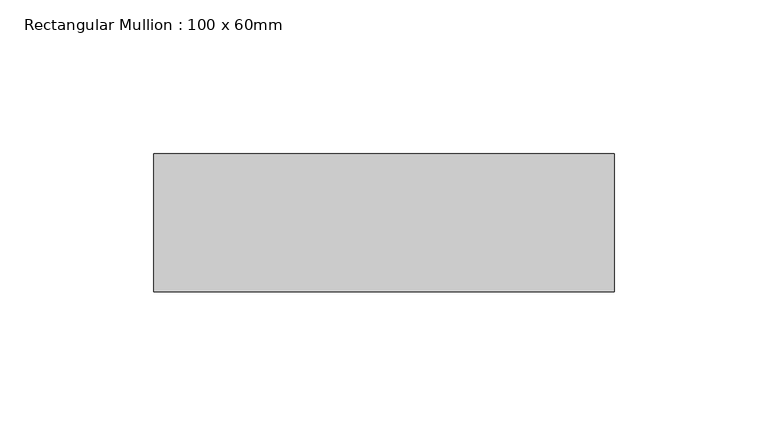
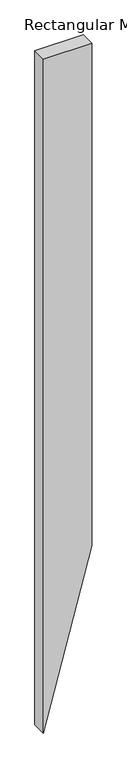
"""IFC4 building model written with IfcOpenShell, lengths in millimetres: member geometry, Rectangular Mullion : 100 x 60mm."""

import ifcopenshell
import ifcopenshell.guid

model = None  # the IFC model being written
_history = None  # IfcOwnerHistory: only IFC2X3 demands one
_inside = {}  # id of a spatial element -> (the spatial element, [elements in it])
_under = {}  # id of a project, library or spatial element -> (it, [spatial elements below it])
_declared = {}  # id of a project -> (the project, [libraries it declares])
_typed = {}  # id of a type object -> (the type object, [elements of that type])
_made_of = {}  # id of a material, layer set ... -> (it, [elements and type objects made of it])


def new_model(schema):
    """Start an empty IFC model of exactly this schema.

    Asked for "IFC4X3", IfcOpenShell would pick the latest addendum, in which some entities
    have other attributes; the version numbers below select the first issue.
    IFC2X3 requires an IfcOwnerHistory on every rooted entity: one is made here for all.
    """
    global model, _history
    if schema == "IFC4X3":
        model = ifcopenshell.file(schema_version=(4, 3, 0, 0))
    else:
        model = ifcopenshell.file(schema=schema)
    _inside.clear()
    _under.clear()
    _declared.clear()
    _typed.clear()
    _made_of.clear()
    _history = None
    if model.schema == "IFC2X3":
        org = make("IfcOrganization", Name="unknown")
        user = make(
            "IfcPersonAndOrganization",
            ThePerson=make("IfcPerson", FamilyName="unknown"),
            TheOrganization=org,
        )
        app = make(
            "IfcApplication",
            ApplicationDeveloper=org,
            Version="unknown",
            ApplicationFullName="unknown",
            ApplicationIdentifier="unknown",
        )
        _history = make(
            "IfcOwnerHistory",
            OwningUser=user,
            OwningApplication=app,
            ChangeAction="ADDED",
            CreationDate=0,
        )
    return model


def make(cls, **values):
    """One entity of the class cls with the attributes given. An attribute that is None is left unset."""
    return model.create_entity(
        cls, **{name: value for name, value in values.items() if value is not None}
    )


def rooted(cls, **values):
    """An entity with a GlobalId (a new one), such as an element, a storey or a relation."""
    return make(cls, GlobalId=ifcopenshell.guid.new(), OwnerHistory=_history, **values)


def si_unit(unit_type, name, prefix=None):
    """IfcSIUnit, for example si_unit("LENGTHUNIT", "METRE", prefix="MILLI")."""
    return make("IfcSIUnit", UnitType=unit_type, Prefix=prefix, Name=name)


def assignment(units):
    """IfcUnitAssignment: the units of a project."""
    return None if units is None else make("IfcUnitAssignment", Units=units)


def point(xyz):
    """IfcCartesianPoint."""
    return None if xyz is None else make("IfcCartesianPoint", Coordinates=xyz)


def direction(xyz):
    """IfcDirection."""
    return None if xyz is None else make("IfcDirection", DirectionRatios=xyz)


def frame(location, z_axis=None, x_axis=None):
    """IfcAxis2Placement3D, a coordinate frame: its origin and axes. An axis left out is left unset."""
    return make(
        "IfcAxis2Placement3D",
        Location=point(location),
        Axis=direction(z_axis),
        RefDirection=direction(x_axis),
    )


def origin():
    """The frame at (0, 0, 0) with its axes left unset."""
    return frame((0.0, 0.0, 0.0))


def place(relative_to, where):
    """IfcLocalPlacement: puts the frame where relative to a parent placement (None: the world)."""
    return make(
        "IfcLocalPlacement", PlacementRelTo=relative_to, RelativePlacement=where
    )


def context(
    kind, dimensions, precision=None, world=None, true_north=None, identifier=None
):
    """IfcGeometricRepresentationContext, for example the 3D "Model" context."""
    return make(
        "IfcGeometricRepresentationContext",
        ContextIdentifier=identifier,
        ContextType=kind,
        CoordinateSpaceDimension=dimensions,
        Precision=precision,
        WorldCoordinateSystem=world,
        TrueNorth=true_north,
    )


def project(units=None, contexts=None):
    """IfcProject with its units and contexts."""
    return rooted(
        "IfcProject",
        Name="project",
        RepresentationContexts=contexts,
        UnitsInContext=assignment(units),
    )


def spatial(cls, under=None, at=None, **own):
    """A site, building, storey or space (cls), placed at a placement, below another one or the project."""
    s = rooted(cls, ObjectPlacement=at, **own)
    if under is not None:
        _under.setdefault(under.id(), (under, []))[1].append(s)
    return s


def polyline(points):
    """IfcPolyline through the points."""
    return make("IfcPolyline", Points=[point(p) for p in points])


def outline(outer, holes=None, kind="AREA"):
    """IfcArbitraryClosedProfileDef: a profile drawn as a closed curve; with holes, ...WithVoids."""
    if holes is None:
        return make("IfcArbitraryClosedProfileDef", ProfileType=kind, OuterCurve=outer)
    return make(
        "IfcArbitraryProfileDefWithVoids",
        ProfileType=kind,
        OuterCurve=outer,
        InnerCurves=holes,
    )


def extrude(swept, where, along, depth):
    """IfcExtrudedAreaSolid: the profile swept, set in the frame where, extruded along a direction by depth."""
    return make(
        "IfcExtrudedAreaSolid",
        SweptArea=swept,
        Position=where,
        ExtrudedDirection=direction(along),
        Depth=depth,
    )


def shape(context_of_items, identifier, shape_type, items):
    """IfcShapeRepresentation: the items that make up one representation, for example the "Body"."""
    return make(
        "IfcShapeRepresentation",
        ContextOfItems=context_of_items,
        RepresentationIdentifier=identifier,
        RepresentationType=shape_type,
        Items=items,
    )


def source(mapping_origin, context_of_items, identifier, shape_type, items):
    """IfcRepresentationMap: a shape defined once, which mapped items show again and again."""
    return make(
        "IfcRepresentationMap",
        MappingOrigin=mapping_origin,
        MappedRepresentation=shape(context_of_items, identifier, shape_type, items),
    )


def transform(
    local_origin,
    x_axis=None,
    y_axis=None,
    z_axis=None,
    scale=None,
    scale2=None,
    scale3=None,
    uniform=True,
):
    """IfcCartesianTransformationOperator3D, or its non-uniform kind. x_axis, y_axis, z_axis: its Axis1, 2, 3."""
    if uniform:
        return make(
            "IfcCartesianTransformationOperator3D",
            Axis1=direction(x_axis),
            Axis2=direction(y_axis),
            LocalOrigin=point(local_origin),
            Scale=scale,
            Axis3=direction(z_axis),
        )
    return make(
        "IfcCartesianTransformationOperator3DnonUniform",
        Axis1=direction(x_axis),
        Axis2=direction(y_axis),
        LocalOrigin=point(local_origin),
        Scale=scale,
        Axis3=direction(z_axis),
        Scale2=scale2,
        Scale3=scale3,
    )


def mapped(mapping_source, mapping_target):
    """IfcMappedItem: shows the shape of a source again, moved by a transform."""
    return make(
        "IfcMappedItem", MappingSource=mapping_source, MappingTarget=mapping_target
    )


def made_of(thing, what):
    """Note that an element or type object is made of a material, layer set ...; save() writes the relation."""
    if what is not None:
        _made_of.setdefault(what.id(), (what, []))[1].append(thing)
    return thing


def element(
    cls,
    number,
    at=None,
    inside=None,
    cuts=None,
    type_object=None,
    material=None,
    context=None,
    identifier="Body",
    shape_type=None,
    held_by="IfcProductDefinitionShape",
    body=None,
    shapes=None,
    **own,
):
    """One element of the class cls, such as IfcWall. Its Tag is "e" and its number.

    at: its placement. inside: the storey or other place that contains it. cuts: it is an
    opening in that element (IfcRelVoidsElement). A single representation is given by context,
    identifier, shape_type and body (its items); several are given by shapes. held_by: the class
    of the entity that holds the representations. save() writes the other relations.
    """
    e = rooted(cls, Tag="e%d" % number, ObjectPlacement=at, **own)
    if body is not None:
        shapes = [shape(context, identifier, shape_type, body)]
    if shapes is not None:
        e.Representation = make(held_by, Representations=shapes)
    if inside is not None:
        _inside.setdefault(inside.id(), (inside, []))[1].append(e)
    if cuts is not None:
        rooted(
            "IfcRelVoidsElement", RelatingBuildingElement=cuts, RelatedOpeningElement=e
        )
    if type_object is not None:
        _typed.setdefault(type_object.id(), (type_object, []))[1].append(e)
    return made_of(e, material)


def aggregate(whole, parts):
    """IfcRelAggregates: a whole, such as a stair, and the parts it consists of."""
    return rooted("IfcRelAggregates", RelatingObject=whole, RelatedObjects=parts)


def save(model, path):
    """Write the relations noted so far, then the file.

    IfcRelAggregates (storeys below a building ...), IfcRelContainedInSpatialStructure (elements
    in a storey), IfcRelDefinesByType, IfcRelAssociatesMaterial and IfcRelDeclares: one each for
    every whole, place, type object, material and project.
    """
    for whole, parts in _under.values():
        aggregate(whole, parts)
    for where, things in _inside.values():
        rooted(
            "IfcRelContainedInSpatialStructure",
            RelatedElements=things,
            RelatingStructure=where,
        )
    for kind, things in _typed.values():
        rooted("IfcRelDefinesByType", RelatedObjects=things, RelatingType=kind)
    for what, things in _made_of.values():
        rooted("IfcRelAssociatesMaterial", RelatedObjects=things, RelatingMaterial=what)
    for by, libraries in _declared.values():
        rooted("IfcRelDeclares", RelatingContext=by, RelatedDefinitions=libraries)
    model.write(path)


def rectangular_mullion_100_x_60mm_9321615a(model_context):
    return source(origin(), model_context, "Body", "SweptSolid", [
        extrude(outline(polyline([(0.0, 75.0), (0.0, -75.0), (-2201.1505182, -75.0), (-1641.3428971, 75.0), (0.0, 75.0)])), frame((0.0, -30.0, 0.0), z_axis=(0.0, 1.0, 0.0), x_axis=(0.0, 0.0, 1.0)), (0.0, 0.0, 1.0), 45.0),
    ])


if __name__ == "__main__":
    model = new_model("IFC4")
    model_context = context("Model", 3, world=origin())
    ifc_project = project(units=[si_unit("LENGTHUNIT", "METRE", prefix="MILLI")], contexts=[model_context])
    site = spatial("IfcSite", under=ifc_project)
    building = spatial("IfcBuilding", under=site)
    placement = place(None, origin())
    rectangular_mullion_100_x_60mm_shape = rectangular_mullion_100_x_60mm_9321615a(model_context)
    element("IfcMember", 1, ObjectType="Rectangular Mullion : 100 x 60mm", at=placement, inside=building, context=model_context, shape_type="MappedRepresentation", body=[
        mapped(rectangular_mullion_100_x_60mm_shape, transform((0.0, 0.0, 0.0), x_axis=(1.0, 0.0, 0.0), y_axis=(0.0, 1.0, 0.0), z_axis=(0.0, 0.0, 1.0))),
    ])
    save(model, "model.ifc")
